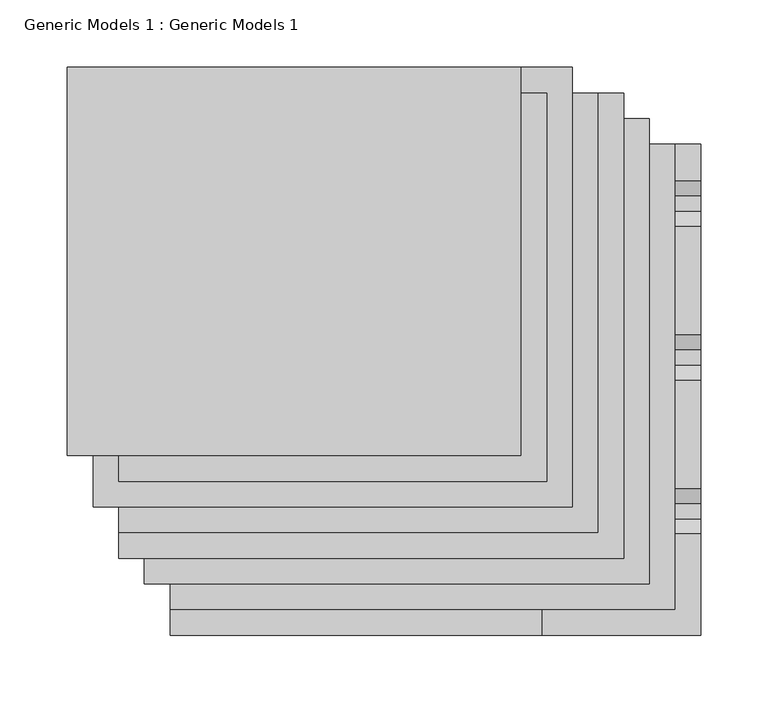
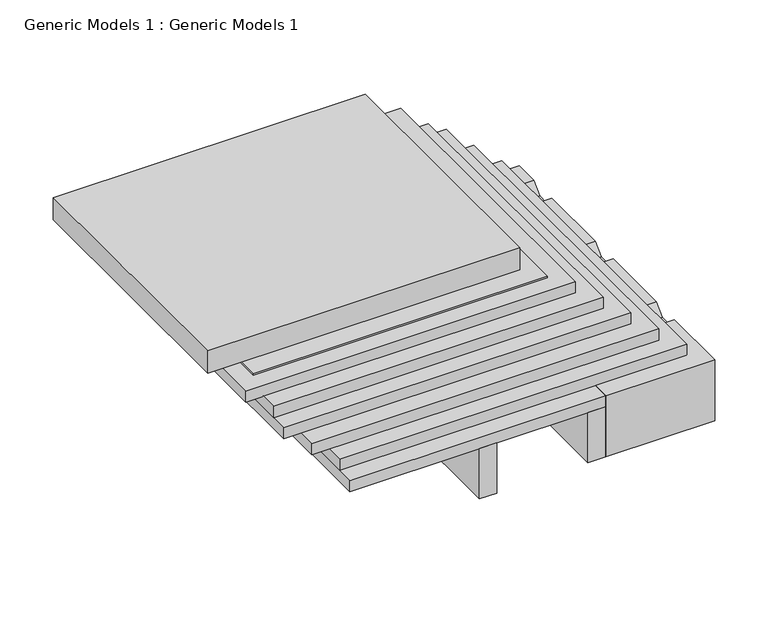
"""IFC4 building model written with IfcOpenShell, lengths in millimetres: proxy geometry, Generic Models 1 : Generic Models 1."""

from ifc_helpers import new_model, si_unit, frame, origin, place, context, project, spatial, polyline, outline, extrude, source, transform, mapped, element, save


def generic_models_1_generic_models_1_92448ff5(model_context):
    return source(origin(), model_context, "Body", "SweptSolid", [
        extrude(outline(polyline([(-177.8, 421.6788588), (158.75, 421.6788588), (158.75, 133.35), (-177.8, 133.35), (-177.8, 421.6788588)])), frame((0.0, 0.0, 169.8625), z_axis=(0.0, 0.0, 1.0), x_axis=(1.0, 0.0, 0.0)), (0.0, 0.0, 1.0), 25.4),
        extrude(outline(polyline([(-139.7, 402.6288588), (215.9, 402.6288588), (215.9, 76.2), (-139.7, 76.2), (-139.7, 402.6288588)])), frame((0.0, 0.0, 140.49375), z_axis=(0.0, 0.0, 1.0), x_axis=(1.0, 0.0, 0.0)), (0.0, 0.0, 1.0), 12.7),
        extrude(outline(polyline([(-139.7, 402.6288588), (234.95, 402.6288588), (234.95, 57.15), (-139.7, 57.15), (-139.7, 402.6288588)])), frame((0.0, 0.0, 127.79375), z_axis=(0.0, 0.0, 1.0), x_axis=(1.0, 0.0, 0.0)), (0.0, 0.0, 1.0), 12.7),
        extrude(outline(polyline([(-120.65, 383.5788588), (254.0, 383.5788588), (254.0, 38.1), (-120.65, 38.1), (-120.65, 383.5788588)])), frame((0.0, 0.0, 114.3), z_axis=(0.0, 0.0, 1.0), x_axis=(1.0, 0.0, 0.0)), (0.0, 0.0, 1.0), 12.7),
        extrude(outline(polyline([(228.670593, 44.45), (196.920593, 76.2), (201.410721, 76.2), (231.845593, 45.7651281), (262.2804649, 76.2), (266.770593, 76.2), (235.020593, 44.45), (228.670593, 44.45)])), frame((287.3375, 0.0, 0.0), z_axis=(1.0, 0.0, 0.0), x_axis=(0.0, 1.0, 0.0)), (0.0, 0.0, 1.0), 3.175),
        extrude(outline(polyline([(110.7911863, 44.45), (79.0411863, 76.2), (83.5313144, 76.2), (113.9661863, 45.7651281), (144.4010583, 76.2), (148.8911863, 76.2), (117.1411863, 44.45), (110.7911863, 44.45)])), frame((287.3375, 0.0, 0.0), z_axis=(1.0, 0.0, 0.0), x_axis=(0.0, 1.0, 0.0)), (0.0, 0.0, 1.0), 3.175),
        extrude(outline(polyline([(364.5288588, 88.9), (364.5288588, 76.2), (25.4, 76.2), (12.7, 88.9), (364.5288588, 88.9)])), frame((285.75, 0.0, 0.0), z_axis=(1.0, 0.0, 0.0), x_axis=(0.0, 1.0, 0.0)), (0.0, 0.0, 1.0), 6.35),
        extrude(outline(polyline([(364.5288588, 31.75), (69.85, 31.75), (57.15, 44.45), (364.5288588, 44.45), (364.5288588, 31.75)])), frame((285.75, 0.0, 0.0), z_axis=(1.0, 0.0, 0.0), x_axis=(0.0, 1.0, 0.0)), (0.0, 0.0, 1.0), 6.35),
        extrude(outline(polyline([(75.3364053, 101.6), (86.4489053, 90.4875), (97.8337772, 90.4875), (108.9462772, 101.6), (189.6364053, 101.6), (200.7489053, 90.4875), (212.1337772, 90.4875), (223.2462772, 101.6), (303.9364053, 101.6), (315.0489053, 90.4875), (326.4337772, 90.4875), (337.5462772, 101.6), (364.5288588, 101.6), (364.5288588, 100.0125), (338.2038412, 100.0125), (327.0913412, 88.9), (314.3913412, 88.9), (303.2788412, 100.0125), (223.9038412, 100.0125), (212.7913412, 88.9), (200.0913412, 88.9), (188.9788412, 100.0125), (109.6038412, 100.0125), (98.4913412, 88.9), (85.7913412, 88.9), (74.6788412, 100.0125), (1.5875, 100.0125), (0.0, 101.6), (75.3364053, 101.6)])), frame((174.625, 0.0, 0.0), z_axis=(1.0, 0.0, 0.0), x_axis=(0.0, 1.0, 0.0)), (0.0, 0.0, 1.0), 117.475),
        extrude(outline(polyline([(0.0, 31.75), (0.0, 101.6), (69.85, 31.75), (0.0, 31.75)])), frame((174.625, 0.0, 0.0), z_axis=(1.0, 0.0, 0.0), x_axis=(0.0, 1.0, 0.0)), (0.0, 0.0, 1.0), 117.475),
        extrude(outline(polyline([(-139.7, 402.6288588), (177.8, 402.6288588), (177.8, 114.3), (-139.7, 114.3), (-139.7, 402.6288588)])), frame((0.0, 0.0, 165.89375), z_axis=(0.0, 0.0, 1.0), x_axis=(1.0, 0.0, 0.0)), (0.0, 0.0, 1.0), 1.5875),
        extrude(outline(polyline([(-158.75, 421.6788588), (196.85, 421.6788588), (196.85, 95.25), (-158.75, 95.25), (-158.75, 421.6788588)])), frame((0.0, 0.0, 153.19375), z_axis=(0.0, 0.0, 1.0), x_axis=(1.0, 0.0, 0.0)), (0.0, 0.0, 1.0), 12.7),
        extrude(outline(polyline([(-101.6, 364.5288588), (273.05, 364.5288588), (273.05, 19.05), (-101.6, 19.05), (-101.6, 364.5288588)])), frame((0.0, 0.0, 101.6), z_axis=(0.0, 0.0, 1.0), x_axis=(1.0, 0.0, 0.0)), (0.0, 0.0, 1.0), 12.7),
        extrude(outline(polyline([(57.15, 0.0), (38.1, 0.0), (38.1, 261.3017557), (57.15, 261.3017557), (57.15, 0.0)])), frame((0.0, 0.0, 31.75), z_axis=(0.0, 0.0, 1.0), x_axis=(1.0, 0.0, 0.0)), (0.0, 0.0, 1.0), 57.15),
        extrude(outline(polyline([(174.625, 0.0), (155.575, 0.0), (155.575, 261.3017557), (174.625, 261.3017557), (174.625, 0.0)])), frame((0.0, 0.0, 31.75), z_axis=(0.0, 0.0, 1.0), x_axis=(1.0, 0.0, 0.0)), (0.0, 0.0, 1.0), 57.15),
        extrude(outline(polyline([(-101.6, 364.5288588), (174.625, 364.5288588), (174.625, 0.0), (-101.6, 0.0), (-101.6, 364.5288588)])), frame((0.0, 0.0, 88.9), z_axis=(0.0, 0.0, 1.0), x_axis=(1.0, 0.0, 0.0)), (0.0, 0.0, 1.0), 12.7),
    ])


if __name__ == "__main__":
    model = new_model("IFC4")
    model_context = context("Model", 3, world=origin())
    ifc_project = project(units=[si_unit("LENGTHUNIT", "METRE", prefix="MILLI")], contexts=[model_context])
    site = spatial("IfcSite", under=ifc_project)
    building = spatial("IfcBuilding", under=site)
    placement = place(None, origin())
    generic_models_1_generic_models_1_shape = generic_models_1_generic_models_1_92448ff5(model_context)
    element("IfcBuildingElementProxy", 1, Name="Generic Models 1 : Generic Models 1", ObjectType="Generic Models 1 : Generic Models 1", at=placement, inside=building, context=model_context, shape_type="MappedRepresentation", body=[
        mapped(generic_models_1_generic_models_1_shape, transform((0.0, 0.0, 0.0), x_axis=(1.0, 0.0, 0.0), y_axis=(0.0, 1.0, 0.0), z_axis=(0.0, 0.0, 1.0))),
    ])
    save(model, "model.ifc")
